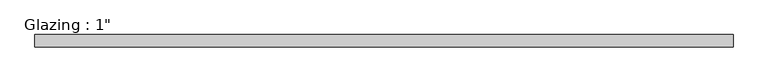
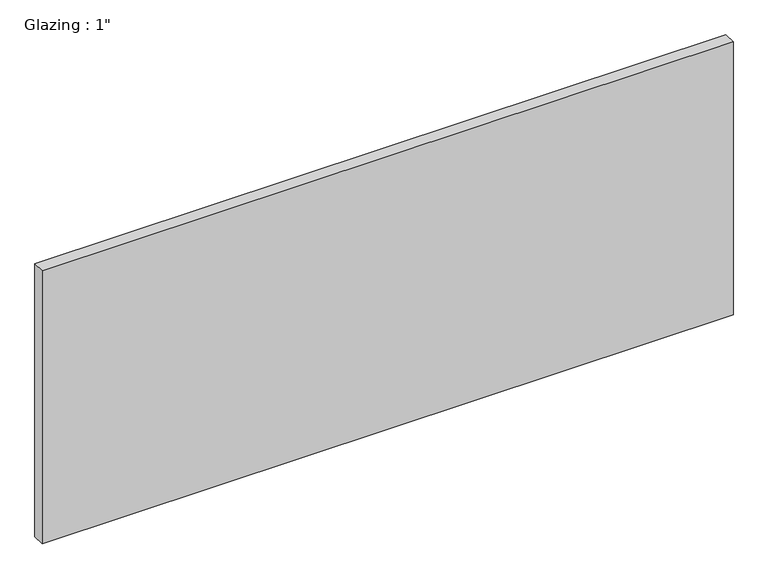
"""IFC4 building model written with IfcOpenShell, lengths in millimetres: plate geometry."""

from ifc_helpers import new_model, si_unit, origin, origin_with_axes, place, context, project, spatial, polyline, outline, extrude, source, transform, mapped, element, save


def plate_53ed389e(model_context):
    return source(origin(), model_context, "Body", "SweptSolid", [
        extrude(outline(polyline([(713.8074708, -12.7), (-713.8074708, -12.7), (-713.8074708, 12.7), (713.8074708, 12.7), (713.8074708, -12.7)])), origin_with_axes(), (0.0, 0.0, 1.0), 595.8415157),
    ])


if __name__ == "__main__":
    model = new_model("IFC4")
    model_context = context("Model", 3, world=origin())
    ifc_project = project(units=[si_unit("LENGTHUNIT", "METRE", prefix="MILLI")], contexts=[model_context])
    site = spatial("IfcSite", under=ifc_project)
    building = spatial("IfcBuilding", under=site)
    placement = place(None, origin())
    plate_shape = plate_53ed389e(model_context)
    element("IfcPlate", 1, ObjectType="Glazing : 1\"", at=placement, inside=building, context=model_context, shape_type="MappedRepresentation", body=[
        mapped(plate_shape, transform((0.0, 0.0, 0.0), x_axis=(1.0, 0.0, 0.0), y_axis=(0.0, 1.0, 0.0), z_axis=(0.0, 0.0, 1.0))),
    ])
    save(model, "model.ifc")
